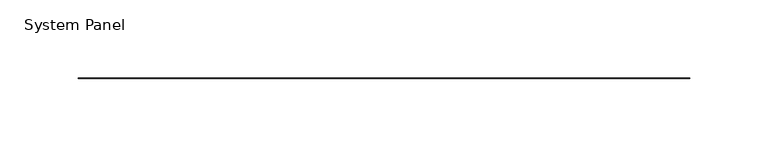
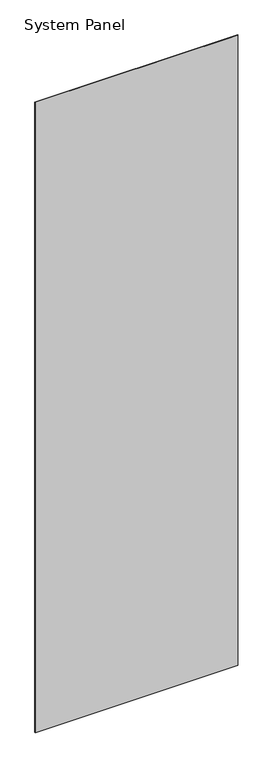
"""IFC4 building model written with IfcOpenShell, lengths in millimetres: plate geometry, System Panel."""

from ifc_helpers import new_model, si_unit, origin, origin_with_axes, place, context, project, spatial, polyline, outline, extrude, source, transform, mapped, element, save


def system_panel_411ab04a(model_context):
    return source(origin(), model_context, "Body", "SweptSolid", [
        extrude(outline(polyline([(195.58, -0.2480469), (-195.58, -0.2480469), (-195.58, 0.2480469), (195.58, 0.2480469), (195.58, -0.2480469)])), origin_with_axes(), (0.0, 0.0, 1.0), 1285.875),
    ])


if __name__ == "__main__":
    model = new_model("IFC4")
    model_context = context("Model", 3, world=origin())
    ifc_project = project(units=[si_unit("LENGTHUNIT", "METRE", prefix="MILLI")], contexts=[model_context])
    site = spatial("IfcSite", under=ifc_project)
    building = spatial("IfcBuilding", under=site)
    placement = place(None, origin())
    system_panel_shape = system_panel_411ab04a(model_context)
    element("IfcPlate", 1, ObjectType="System Panel", at=placement, inside=building, context=model_context, shape_type="MappedRepresentation", body=[
        mapped(system_panel_shape, transform((0.0, 0.0, 0.0), x_axis=(1.0, 0.0, 0.0), y_axis=(0.0, 1.0, 0.0), z_axis=(0.0, 0.0, 1.0))),
    ])
    save(model, "model.ifc")
